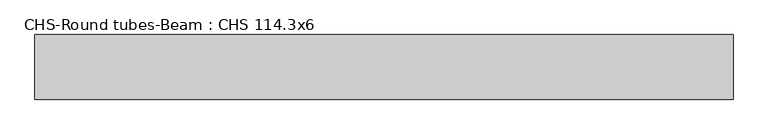
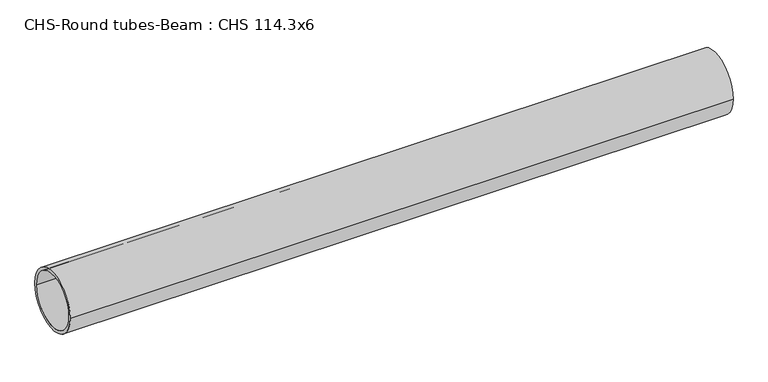
"""IFC4 building model written with IfcOpenShell, lengths in millimetres: beam geometry, CHS-Round tubes-Beam : CHS 114.3x6."""

import ifcopenshell
import ifcopenshell.guid

model = None  # the IFC model being written
_history = None  # IfcOwnerHistory: only IFC2X3 demands one
_inside = {}  # id of a spatial element -> (the spatial element, [elements in it])
_under = {}  # id of a project, library or spatial element -> (it, [spatial elements below it])
_declared = {}  # id of a project -> (the project, [libraries it declares])
_typed = {}  # id of a type object -> (the type object, [elements of that type])
_made_of = {}  # id of a material, layer set ... -> (it, [elements and type objects made of it])


def new_model(schema):
    """Start an empty IFC model of exactly this schema.

    Asked for "IFC4X3", IfcOpenShell would pick the latest addendum, in which some entities
    have other attributes; the version numbers below select the first issue.
    IFC2X3 requires an IfcOwnerHistory on every rooted entity: one is made here for all.
    """
    global model, _history
    if schema == "IFC4X3":
        model = ifcopenshell.file(schema_version=(4, 3, 0, 0))
    else:
        model = ifcopenshell.file(schema=schema)
    _inside.clear()
    _under.clear()
    _declared.clear()
    _typed.clear()
    _made_of.clear()
    _history = None
    if model.schema == "IFC2X3":
        org = make("IfcOrganization", Name="unknown")
        user = make(
            "IfcPersonAndOrganization",
            ThePerson=make("IfcPerson", FamilyName="unknown"),
            TheOrganization=org,
        )
        app = make(
            "IfcApplication",
            ApplicationDeveloper=org,
            Version="unknown",
            ApplicationFullName="unknown",
            ApplicationIdentifier="unknown",
        )
        _history = make(
            "IfcOwnerHistory",
            OwningUser=user,
            OwningApplication=app,
            ChangeAction="ADDED",
            CreationDate=0,
        )
    return model


def make(cls, **values):
    """One entity of the class cls with the attributes given. An attribute that is None is left unset."""
    return model.create_entity(
        cls, **{name: value for name, value in values.items() if value is not None}
    )


def rooted(cls, **values):
    """An entity with a GlobalId (a new one), such as an element, a storey or a relation."""
    return make(cls, GlobalId=ifcopenshell.guid.new(), OwnerHistory=_history, **values)


def si_unit(unit_type, name, prefix=None):
    """IfcSIUnit, for example si_unit("LENGTHUNIT", "METRE", prefix="MILLI")."""
    return make("IfcSIUnit", UnitType=unit_type, Prefix=prefix, Name=name)


def assignment(units):
    """IfcUnitAssignment: the units of a project."""
    return None if units is None else make("IfcUnitAssignment", Units=units)


def point(xyz):
    """IfcCartesianPoint."""
    return None if xyz is None else make("IfcCartesianPoint", Coordinates=xyz)


def direction(xyz):
    """IfcDirection."""
    return None if xyz is None else make("IfcDirection", DirectionRatios=xyz)


def frame(location, z_axis=None, x_axis=None):
    """IfcAxis2Placement3D, a coordinate frame: its origin and axes. An axis left out is left unset."""
    return make(
        "IfcAxis2Placement3D",
        Location=point(location),
        Axis=direction(z_axis),
        RefDirection=direction(x_axis),
    )


def frame_2d(location, x_axis=None):
    """IfcAxis2Placement2D, a coordinate frame in the plane: its origin and x axis."""
    return make(
        "IfcAxis2Placement2D", Location=point(location), RefDirection=direction(x_axis)
    )


def origin():
    """The frame at (0, 0, 0) with its axes left unset."""
    return frame((0.0, 0.0, 0.0))


def origin_2d():
    """The frame at (0, 0) in the plane with its x axis left unset."""
    return frame_2d((0.0, 0.0))


def place(relative_to, where):
    """IfcLocalPlacement: puts the frame where relative to a parent placement (None: the world)."""
    return make(
        "IfcLocalPlacement", PlacementRelTo=relative_to, RelativePlacement=where
    )


def context(
    kind, dimensions, precision=None, world=None, true_north=None, identifier=None
):
    """IfcGeometricRepresentationContext, for example the 3D "Model" context."""
    return make(
        "IfcGeometricRepresentationContext",
        ContextIdentifier=identifier,
        ContextType=kind,
        CoordinateSpaceDimension=dimensions,
        Precision=precision,
        WorldCoordinateSystem=world,
        TrueNorth=true_north,
    )


def project(units=None, contexts=None):
    """IfcProject with its units and contexts."""
    return rooted(
        "IfcProject",
        Name="project",
        RepresentationContexts=contexts,
        UnitsInContext=assignment(units),
    )


def spatial(cls, under=None, at=None, **own):
    """A site, building, storey or space (cls), placed at a placement, below another one or the project."""
    s = rooted(cls, ObjectPlacement=at, **own)
    if under is not None:
        _under.setdefault(under.id(), (under, []))[1].append(s)
    return s


def circle_curve(where, radius):
    """IfcCircle in the frame where."""
    return make("IfcCircle", Position=where, Radius=radius)


def trimmed(basis, trim1, trim2, sense, master):
    """IfcTrimmedCurve: the piece of a basis curve between two trims."""
    return make(
        "IfcTrimmedCurve",
        BasisCurve=basis,
        Trim1=trim1,
        Trim2=trim2,
        SenseAgreement=sense,
        MasterRepresentation=master,
    )


def segment(curve, same_sense, transition):
    """IfcCompositeCurveSegment."""
    return make(
        "IfcCompositeCurveSegment",
        Transition=transition,
        SameSense=same_sense,
        ParentCurve=curve,
    )


def composite_curve(segments, self_intersect=None):
    """IfcCompositeCurve: segments joined end to end."""
    return make("IfcCompositeCurve", Segments=segments, SelfIntersect=self_intersect)


def outline(outer, holes=None, kind="AREA"):
    """IfcArbitraryClosedProfileDef: a profile drawn as a closed curve; with holes, ...WithVoids."""
    if holes is None:
        return make("IfcArbitraryClosedProfileDef", ProfileType=kind, OuterCurve=outer)
    return make(
        "IfcArbitraryProfileDefWithVoids",
        ProfileType=kind,
        OuterCurve=outer,
        InnerCurves=holes,
    )


def extrude(swept, where, along, depth):
    """IfcExtrudedAreaSolid: the profile swept, set in the frame where, extruded along a direction by depth."""
    return make(
        "IfcExtrudedAreaSolid",
        SweptArea=swept,
        Position=where,
        ExtrudedDirection=direction(along),
        Depth=depth,
    )


def shape(context_of_items, identifier, shape_type, items):
    """IfcShapeRepresentation: the items that make up one representation, for example the "Body"."""
    return make(
        "IfcShapeRepresentation",
        ContextOfItems=context_of_items,
        RepresentationIdentifier=identifier,
        RepresentationType=shape_type,
        Items=items,
    )


def source(mapping_origin, context_of_items, identifier, shape_type, items):
    """IfcRepresentationMap: a shape defined once, which mapped items show again and again."""
    return make(
        "IfcRepresentationMap",
        MappingOrigin=mapping_origin,
        MappedRepresentation=shape(context_of_items, identifier, shape_type, items),
    )


def transform(
    local_origin,
    x_axis=None,
    y_axis=None,
    z_axis=None,
    scale=None,
    scale2=None,
    scale3=None,
    uniform=True,
):
    """IfcCartesianTransformationOperator3D, or its non-uniform kind. x_axis, y_axis, z_axis: its Axis1, 2, 3."""
    if uniform:
        return make(
            "IfcCartesianTransformationOperator3D",
            Axis1=direction(x_axis),
            Axis2=direction(y_axis),
            LocalOrigin=point(local_origin),
            Scale=scale,
            Axis3=direction(z_axis),
        )
    return make(
        "IfcCartesianTransformationOperator3DnonUniform",
        Axis1=direction(x_axis),
        Axis2=direction(y_axis),
        LocalOrigin=point(local_origin),
        Scale=scale,
        Axis3=direction(z_axis),
        Scale2=scale2,
        Scale3=scale3,
    )


def mapped(mapping_source, mapping_target):
    """IfcMappedItem: shows the shape of a source again, moved by a transform."""
    return make(
        "IfcMappedItem", MappingSource=mapping_source, MappingTarget=mapping_target
    )


def made_of(thing, what):
    """Note that an element or type object is made of a material, layer set ...; save() writes the relation."""
    if what is not None:
        _made_of.setdefault(what.id(), (what, []))[1].append(thing)
    return thing


def element(
    cls,
    number,
    at=None,
    inside=None,
    cuts=None,
    type_object=None,
    material=None,
    context=None,
    identifier="Body",
    shape_type=None,
    held_by="IfcProductDefinitionShape",
    body=None,
    shapes=None,
    **own,
):
    """One element of the class cls, such as IfcWall. Its Tag is "e" and its number.

    at: its placement. inside: the storey or other place that contains it. cuts: it is an
    opening in that element (IfcRelVoidsElement). A single representation is given by context,
    identifier, shape_type and body (its items); several are given by shapes. held_by: the class
    of the entity that holds the representations. save() writes the other relations.
    """
    e = rooted(cls, Tag="e%d" % number, ObjectPlacement=at, **own)
    if body is not None:
        shapes = [shape(context, identifier, shape_type, body)]
    if shapes is not None:
        e.Representation = make(held_by, Representations=shapes)
    if inside is not None:
        _inside.setdefault(inside.id(), (inside, []))[1].append(e)
    if cuts is not None:
        rooted(
            "IfcRelVoidsElement", RelatingBuildingElement=cuts, RelatedOpeningElement=e
        )
    if type_object is not None:
        _typed.setdefault(type_object.id(), (type_object, []))[1].append(e)
    return made_of(e, material)


def aggregate(whole, parts):
    """IfcRelAggregates: a whole, such as a stair, and the parts it consists of."""
    return rooted("IfcRelAggregates", RelatingObject=whole, RelatedObjects=parts)


def save(model, path):
    """Write the relations noted so far, then the file.

    IfcRelAggregates (storeys below a building ...), IfcRelContainedInSpatialStructure (elements
    in a storey), IfcRelDefinesByType, IfcRelAssociatesMaterial and IfcRelDeclares: one each for
    every whole, place, type object, material and project.
    """
    for whole, parts in _under.values():
        aggregate(whole, parts)
    for where, things in _inside.values():
        rooted(
            "IfcRelContainedInSpatialStructure",
            RelatedElements=things,
            RelatingStructure=where,
        )
    for kind, things in _typed.values():
        rooted("IfcRelDefinesByType", RelatedObjects=things, RelatingType=kind)
    for what, things in _made_of.values():
        rooted("IfcRelAssociatesMaterial", RelatedObjects=things, RelatingMaterial=what)
    for by, libraries in _declared.values():
        rooted("IfcRelDeclares", RelatingContext=by, RelatedDefinitions=libraries)
    model.write(path)


def chs_round_tubes_beam_chs_114_3x6_d2a0f8c2(model_context):
    return source(origin(), model_context, "Body", "SweptSolid", [
        extrude(outline(composite_curve([segment(trimmed(circle_curve(origin_2d(), 57.15), [point((57.15, 0.0))], [point((-57.15, 0.0))], False, "CARTESIAN"), True, "CONTINUOUS"), segment(trimmed(circle_curve(origin_2d(), 57.15), [point((-57.15, 0.0))], [point((57.15, 0.0))], False, "CARTESIAN"), True, "CONTINUOUS")], self_intersect=False), holes=[composite_curve([segment(trimmed(circle_curve(origin_2d(), 51.15), [point((51.15, 0.0))], [point((-51.15, 0.0))], True, "CARTESIAN"), True, "CONTINUOUS"), segment(trimmed(circle_curve(origin_2d(), 51.15), [point((-51.15, 0.0))], [point((51.15, 0.0))], True, "CARTESIAN"), True, "CONTINUOUS")], self_intersect=False)]), frame((-613.95436, 0.0, 0.0), z_axis=(1.0, 0.0, 0.0), x_axis=(0.0, 1.0, 0.0)), (0.0, 0.0, 1.0), 1235.5148988),
    ])


if __name__ == "__main__":
    model = new_model("IFC4")
    model_context = context("Model", 3, world=origin())
    ifc_project = project(units=[si_unit("LENGTHUNIT", "METRE", prefix="MILLI")], contexts=[model_context])
    site = spatial("IfcSite", under=ifc_project)
    building = spatial("IfcBuilding", under=site)
    placement = place(None, origin())
    chs_round_tubes_beam_chs_114_3x6_shape = chs_round_tubes_beam_chs_114_3x6_d2a0f8c2(model_context)
    element("IfcBeam", 1, ObjectType="CHS-Round tubes-Beam : CHS 114.3x6", at=placement, inside=building, context=model_context, shape_type="MappedRepresentation", body=[
        mapped(chs_round_tubes_beam_chs_114_3x6_shape, transform((0.0, 0.0, 0.0), x_axis=(1.0, 0.0, 0.0), y_axis=(0.0, 1.0, 0.0), z_axis=(0.0, 0.0, 1.0))),
    ])
    save(model, "model.ifc")
